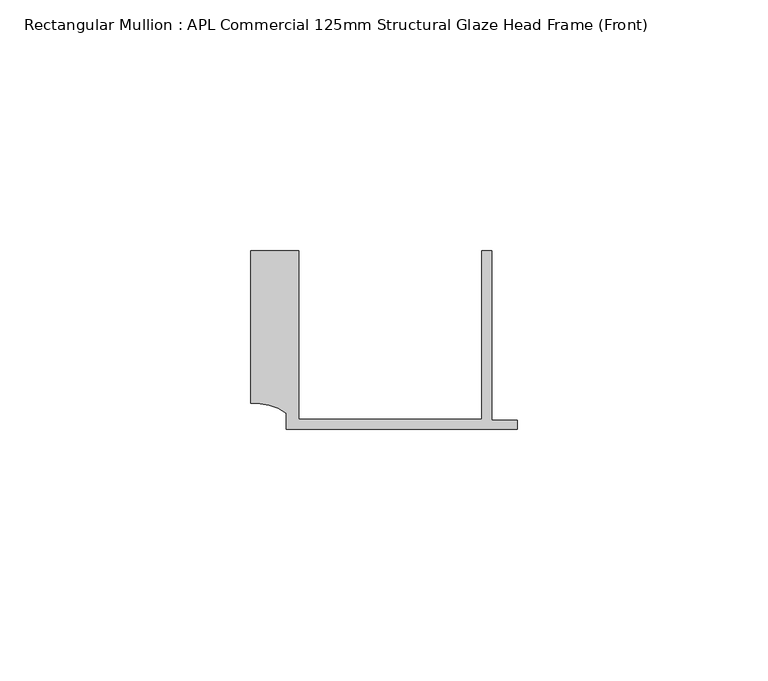
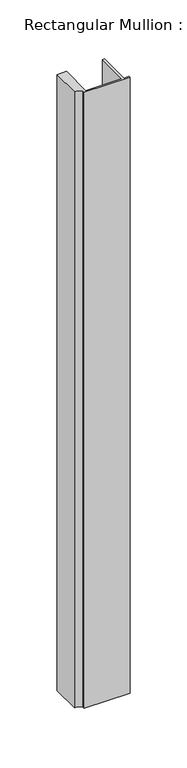
"""IFC4 building model written with IfcOpenShell, lengths in millimetres: member geometry, Rectangular Mullion : APL Commercial 125mm Structural Glaze Head Frame (Front)."""

from ifc_helpers import new_model, si_unit, point, frame, frame_2d, origin, place, context, project, spatial, polyline, circle_curve, trimmed, segment, composite_curve, outline, extrude, source, transform, mapped, element, save


def rectangular_mullion_apl_commercial_125mm_structural_glaze_b12a87f0(model_context):
    return source(origin(), model_context, "Body", "SweptSolid", [
        extrude(outline(composite_curve([segment(polyline([(-52.9999542, 15.0), (-43.5000151, 15.0), (-43.5000151, -18.5002486), (-7.0, -18.5002486), (-7.0, 15.0), (-5.0, 15.0), (-5.0, -18.7002486), (0.0, -18.7002486), (0.0, -20.5002486), (-45.9999994, -20.5002486), (-45.9999994, -17.3126154)]), True, "CONTINUOUS"), segment(trimmed(circle_curve(frame_2d((-52.109817, -25.7982641)), 10.4563907), [point((-45.9999994, -17.3126154))], [point((-52.9999542, -15.3798304))], True, "CARTESIAN"), True, "CONTINUOUS"), segment(polyline([(-52.9999542, -15.3798304), (-52.9999542, 15.0)]), True, "CONTINUOUS")], self_intersect=False)), frame((0.0, 0.0, -657.1973514), z_axis=(0.0, 0.0, 1.0), x_axis=(1.0, 0.0, 0.0)), (0.0, 0.0, 1.0), 657.1973514),
    ])


if __name__ == "__main__":
    model = new_model("IFC4")
    model_context = context("Model", 3, world=origin())
    ifc_project = project(units=[si_unit("LENGTHUNIT", "METRE", prefix="MILLI")], contexts=[model_context])
    site = spatial("IfcSite", under=ifc_project)
    building = spatial("IfcBuilding", under=site)
    placement = place(None, origin())
    rectangular_mullion_apl_commercial_125mm_structural_glaze_shape = rectangular_mullion_apl_commercial_125mm_structural_glaze_b12a87f0(model_context)
    element("IfcMember", 1, ObjectType="Rectangular Mullion : APL Commercial 125mm Structural Glaze Head Frame (Front)", at=placement, inside=building, context=model_context, shape_type="MappedRepresentation", body=[
        mapped(rectangular_mullion_apl_commercial_125mm_structural_glaze_shape, transform((0.0, 0.0, 0.0), x_axis=(1.0, 0.0, 0.0), y_axis=(0.0, 1.0, 0.0), z_axis=(0.0, 0.0, 1.0))),
    ])
    save(model, "model.ifc")
